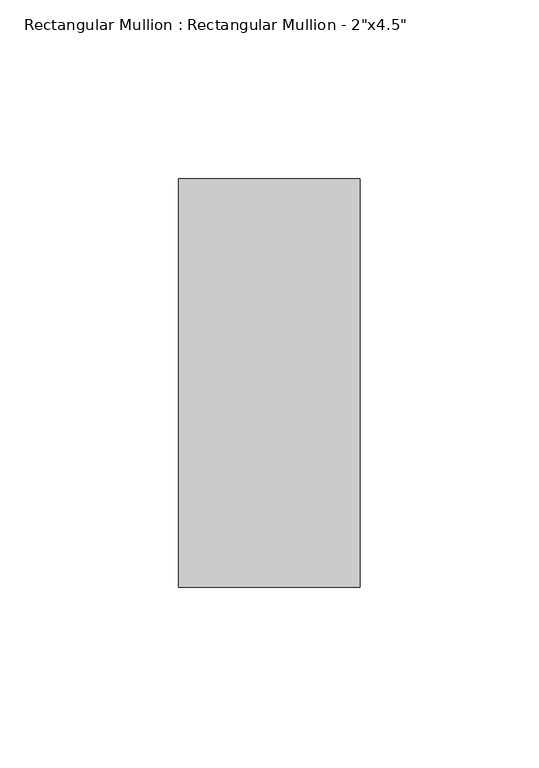
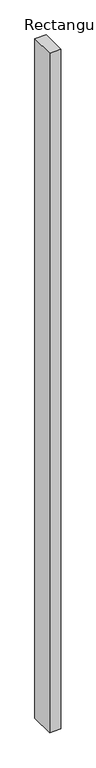
"""IFC4 building model written with IfcOpenShell, lengths in millimetres: member geometry."""

import ifcopenshell
import ifcopenshell.guid

model = None  # the IFC model being written
_history = None  # IfcOwnerHistory: only IFC2X3 demands one
_inside = {}  # id of a spatial element -> (the spatial element, [elements in it])
_under = {}  # id of a project, library or spatial element -> (it, [spatial elements below it])
_declared = {}  # id of a project -> (the project, [libraries it declares])
_typed = {}  # id of a type object -> (the type object, [elements of that type])
_made_of = {}  # id of a material, layer set ... -> (it, [elements and type objects made of it])


def new_model(schema):
    """Start an empty IFC model of exactly this schema.

    Asked for "IFC4X3", IfcOpenShell would pick the latest addendum, in which some entities
    have other attributes; the version numbers below select the first issue.
    IFC2X3 requires an IfcOwnerHistory on every rooted entity: one is made here for all.
    """
    global model, _history
    if schema == "IFC4X3":
        model = ifcopenshell.file(schema_version=(4, 3, 0, 0))
    else:
        model = ifcopenshell.file(schema=schema)
    _inside.clear()
    _under.clear()
    _declared.clear()
    _typed.clear()
    _made_of.clear()
    _history = None
    if model.schema == "IFC2X3":
        org = make("IfcOrganization", Name="unknown")
        user = make(
            "IfcPersonAndOrganization",
            ThePerson=make("IfcPerson", FamilyName="unknown"),
            TheOrganization=org,
        )
        app = make(
            "IfcApplication",
            ApplicationDeveloper=org,
            Version="unknown",
            ApplicationFullName="unknown",
            ApplicationIdentifier="unknown",
        )
        _history = make(
            "IfcOwnerHistory",
            OwningUser=user,
            OwningApplication=app,
            ChangeAction="ADDED",
            CreationDate=0,
        )
    return model


def make(cls, **values):
    """One entity of the class cls with the attributes given. An attribute that is None is left unset."""
    return model.create_entity(
        cls, **{name: value for name, value in values.items() if value is not None}
    )


def rooted(cls, **values):
    """An entity with a GlobalId (a new one), such as an element, a storey or a relation."""
    return make(cls, GlobalId=ifcopenshell.guid.new(), OwnerHistory=_history, **values)


def si_unit(unit_type, name, prefix=None):
    """IfcSIUnit, for example si_unit("LENGTHUNIT", "METRE", prefix="MILLI")."""
    return make("IfcSIUnit", UnitType=unit_type, Prefix=prefix, Name=name)


def assignment(units):
    """IfcUnitAssignment: the units of a project."""
    return None if units is None else make("IfcUnitAssignment", Units=units)


def point(xyz):
    """IfcCartesianPoint."""
    return None if xyz is None else make("IfcCartesianPoint", Coordinates=xyz)


def direction(xyz):
    """IfcDirection."""
    return None if xyz is None else make("IfcDirection", DirectionRatios=xyz)


def frame(location, z_axis=None, x_axis=None):
    """IfcAxis2Placement3D, a coordinate frame: its origin and axes. An axis left out is left unset."""
    return make(
        "IfcAxis2Placement3D",
        Location=point(location),
        Axis=direction(z_axis),
        RefDirection=direction(x_axis),
    )


def origin():
    """The frame at (0, 0, 0) with its axes left unset."""
    return frame((0.0, 0.0, 0.0))


def place(relative_to, where):
    """IfcLocalPlacement: puts the frame where relative to a parent placement (None: the world)."""
    return make(
        "IfcLocalPlacement", PlacementRelTo=relative_to, RelativePlacement=where
    )


def context(
    kind, dimensions, precision=None, world=None, true_north=None, identifier=None
):
    """IfcGeometricRepresentationContext, for example the 3D "Model" context."""
    return make(
        "IfcGeometricRepresentationContext",
        ContextIdentifier=identifier,
        ContextType=kind,
        CoordinateSpaceDimension=dimensions,
        Precision=precision,
        WorldCoordinateSystem=world,
        TrueNorth=true_north,
    )


def project(units=None, contexts=None):
    """IfcProject with its units and contexts."""
    return rooted(
        "IfcProject",
        Name="project",
        RepresentationContexts=contexts,
        UnitsInContext=assignment(units),
    )


def spatial(cls, under=None, at=None, **own):
    """A site, building, storey or space (cls), placed at a placement, below another one or the project."""
    s = rooted(cls, ObjectPlacement=at, **own)
    if under is not None:
        _under.setdefault(under.id(), (under, []))[1].append(s)
    return s


def polyline(points):
    """IfcPolyline through the points."""
    return make("IfcPolyline", Points=[point(p) for p in points])


def outline(outer, holes=None, kind="AREA"):
    """IfcArbitraryClosedProfileDef: a profile drawn as a closed curve; with holes, ...WithVoids."""
    if holes is None:
        return make("IfcArbitraryClosedProfileDef", ProfileType=kind, OuterCurve=outer)
    return make(
        "IfcArbitraryProfileDefWithVoids",
        ProfileType=kind,
        OuterCurve=outer,
        InnerCurves=holes,
    )


def extrude(swept, where, along, depth):
    """IfcExtrudedAreaSolid: the profile swept, set in the frame where, extruded along a direction by depth."""
    return make(
        "IfcExtrudedAreaSolid",
        SweptArea=swept,
        Position=where,
        ExtrudedDirection=direction(along),
        Depth=depth,
    )


def shape(context_of_items, identifier, shape_type, items):
    """IfcShapeRepresentation: the items that make up one representation, for example the "Body"."""
    return make(
        "IfcShapeRepresentation",
        ContextOfItems=context_of_items,
        RepresentationIdentifier=identifier,
        RepresentationType=shape_type,
        Items=items,
    )


def source(mapping_origin, context_of_items, identifier, shape_type, items):
    """IfcRepresentationMap: a shape defined once, which mapped items show again and again."""
    return make(
        "IfcRepresentationMap",
        MappingOrigin=mapping_origin,
        MappedRepresentation=shape(context_of_items, identifier, shape_type, items),
    )


def transform(
    local_origin,
    x_axis=None,
    y_axis=None,
    z_axis=None,
    scale=None,
    scale2=None,
    scale3=None,
    uniform=True,
):
    """IfcCartesianTransformationOperator3D, or its non-uniform kind. x_axis, y_axis, z_axis: its Axis1, 2, 3."""
    if uniform:
        return make(
            "IfcCartesianTransformationOperator3D",
            Axis1=direction(x_axis),
            Axis2=direction(y_axis),
            LocalOrigin=point(local_origin),
            Scale=scale,
            Axis3=direction(z_axis),
        )
    return make(
        "IfcCartesianTransformationOperator3DnonUniform",
        Axis1=direction(x_axis),
        Axis2=direction(y_axis),
        LocalOrigin=point(local_origin),
        Scale=scale,
        Axis3=direction(z_axis),
        Scale2=scale2,
        Scale3=scale3,
    )


def mapped(mapping_source, mapping_target):
    """IfcMappedItem: shows the shape of a source again, moved by a transform."""
    return make(
        "IfcMappedItem", MappingSource=mapping_source, MappingTarget=mapping_target
    )


def made_of(thing, what):
    """Note that an element or type object is made of a material, layer set ...; save() writes the relation."""
    if what is not None:
        _made_of.setdefault(what.id(), (what, []))[1].append(thing)
    return thing


def element(
    cls,
    number,
    at=None,
    inside=None,
    cuts=None,
    type_object=None,
    material=None,
    context=None,
    identifier="Body",
    shape_type=None,
    held_by="IfcProductDefinitionShape",
    body=None,
    shapes=None,
    **own,
):
    """One element of the class cls, such as IfcWall. Its Tag is "e" and its number.

    at: its placement. inside: the storey or other place that contains it. cuts: it is an
    opening in that element (IfcRelVoidsElement). A single representation is given by context,
    identifier, shape_type and body (its items); several are given by shapes. held_by: the class
    of the entity that holds the representations. save() writes the other relations.
    """
    e = rooted(cls, Tag="e%d" % number, ObjectPlacement=at, **own)
    if body is not None:
        shapes = [shape(context, identifier, shape_type, body)]
    if shapes is not None:
        e.Representation = make(held_by, Representations=shapes)
    if inside is not None:
        _inside.setdefault(inside.id(), (inside, []))[1].append(e)
    if cuts is not None:
        rooted(
            "IfcRelVoidsElement", RelatingBuildingElement=cuts, RelatedOpeningElement=e
        )
    if type_object is not None:
        _typed.setdefault(type_object.id(), (type_object, []))[1].append(e)
    return made_of(e, material)


def aggregate(whole, parts):
    """IfcRelAggregates: a whole, such as a stair, and the parts it consists of."""
    return rooted("IfcRelAggregates", RelatingObject=whole, RelatedObjects=parts)


def save(model, path):
    """Write the relations noted so far, then the file.

    IfcRelAggregates (storeys below a building ...), IfcRelContainedInSpatialStructure (elements
    in a storey), IfcRelDefinesByType, IfcRelAssociatesMaterial and IfcRelDeclares: one each for
    every whole, place, type object, material and project.
    """
    for whole, parts in _under.values():
        aggregate(whole, parts)
    for where, things in _inside.values():
        rooted(
            "IfcRelContainedInSpatialStructure",
            RelatedElements=things,
            RelatingStructure=where,
        )
    for kind, things in _typed.values():
        rooted("IfcRelDefinesByType", RelatedObjects=things, RelatingType=kind)
    for what, things in _made_of.values():
        rooted("IfcRelAssociatesMaterial", RelatedObjects=things, RelatingMaterial=what)
    for by, libraries in _declared.values():
        rooted("IfcRelDeclares", RelatingContext=by, RelatedDefinitions=libraries)
    model.write(path)


def member_49875de5(model_context):
    return source(origin(), model_context, "Body", "SweptSolid", [
        extrude(outline(polyline([(0.0, 57.15), (0.0, -57.15), (-50.8, -57.15), (-50.8, 57.15), (0.0, 57.15)])), frame((0.0, 0.0, -3251.2), z_axis=(0.0, 0.0, 1.0), x_axis=(1.0, 0.0, 0.0)), (0.0, 0.0, 1.0), 3251.2),
    ])


if __name__ == "__main__":
    model = new_model("IFC4")
    model_context = context("Model", 3, world=origin())
    ifc_project = project(units=[si_unit("LENGTHUNIT", "METRE", prefix="MILLI")], contexts=[model_context])
    site = spatial("IfcSite", under=ifc_project)
    building = spatial("IfcBuilding", under=site)
    placement = place(None, origin())
    member_shape = member_49875de5(model_context)
    element("IfcMember", 1, ObjectType="Rectangular Mullion : Rectangular Mullion - 2\"x4.5\"", at=placement, inside=building, context=model_context, shape_type="MappedRepresentation", body=[
        mapped(member_shape, transform((0.0, 0.0, 0.0), x_axis=(1.0, 0.0, 0.0), y_axis=(0.0, 1.0, 0.0), z_axis=(0.0, 0.0, 1.0))),
    ])
    save(model, "model.ifc")
